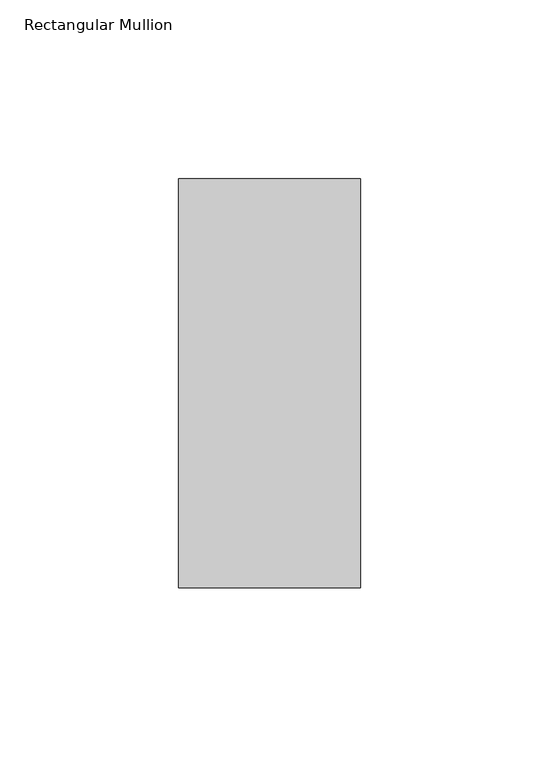
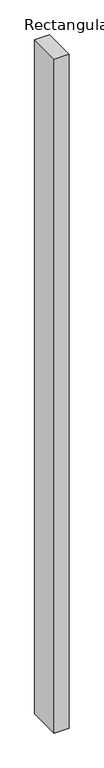
"""IFC4 building model written with IfcOpenShell, lengths in millimetres: member geometry, Rectangular Mullion."""

from ifc_helpers import new_model, si_unit, frame, origin, place, context, project, spatial, polyline, outline, extrude, source, transform, mapped, element, save


def rectangular_mullion_62ec680c(model_context):
    return source(origin(), model_context, "Body", "SweptSolid", [
        extrude(outline(polyline([(-50.8, 74.5132813), (0.0, 74.5132813), (0.0, -39.7867187), (-50.8, -39.7867187), (-50.8, 74.5132813)])), frame((0.0, 0.0, -2409.9444043), z_axis=(0.0, 0.0, 1.0), x_axis=(1.0, 0.0, 0.0)), (0.0, 0.0, 1.0), 2409.9444043),
    ])


if __name__ == "__main__":
    model = new_model("IFC4")
    model_context = context("Model", 3, world=origin())
    ifc_project = project(units=[si_unit("LENGTHUNIT", "METRE", prefix="MILLI")], contexts=[model_context])
    site = spatial("IfcSite", under=ifc_project)
    building = spatial("IfcBuilding", under=site)
    placement = place(None, origin())
    rectangular_mullion_shape = rectangular_mullion_62ec680c(model_context)
    element("IfcMember", 1, ObjectType="Rectangular Mullion", at=placement, inside=building, context=model_context, shape_type="MappedRepresentation", body=[
        mapped(rectangular_mullion_shape, transform((0.0, 0.0, 0.0), x_axis=(1.0, 0.0, 0.0), y_axis=(0.0, 1.0, 0.0), z_axis=(0.0, 0.0, 1.0))),
    ])
    save(model, "model.ifc")
